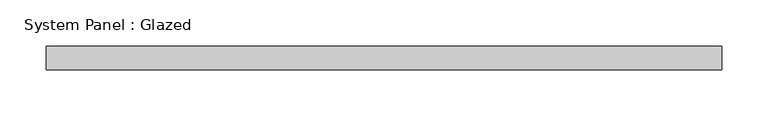
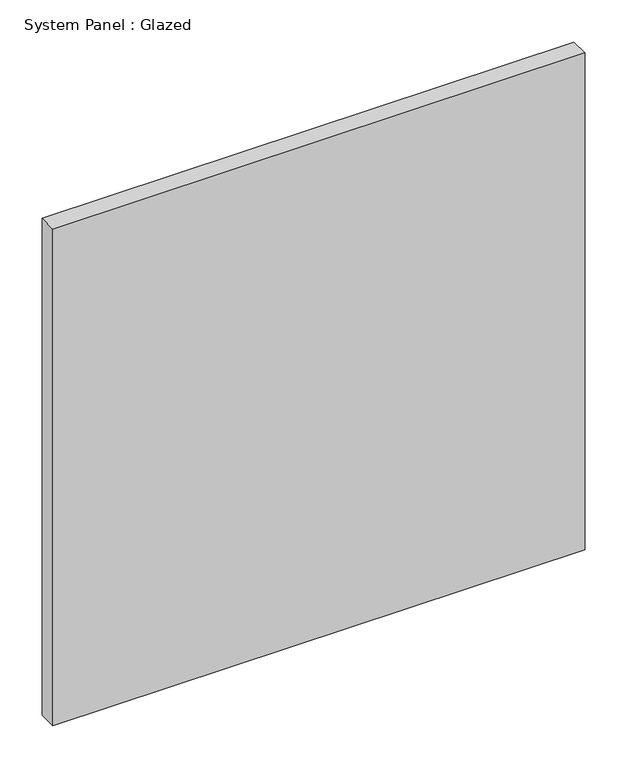
"""IFC4 building model written with IfcOpenShell, lengths in millimetres: plate geometry, System Panel : Glazed."""

from ifc_helpers import new_model, si_unit, origin, origin_with_axes, place, context, project, spatial, polyline, outline, extrude, source, transform, mapped, element, save


def system_panel_glazed_bfe00024(model_context):
    return source(origin(), model_context, "Body", "SweptSolid", [
        extrude(outline(polyline([(363.6722104, -44.45), (-363.6722104, -44.45), (-363.6722104, -19.05), (363.6722104, -19.05), (363.6722104, -44.45)])), origin_with_axes(), (0.0, 0.0, 1.0), 717.55),
    ])


if __name__ == "__main__":
    model = new_model("IFC4")
    model_context = context("Model", 3, world=origin())
    ifc_project = project(units=[si_unit("LENGTHUNIT", "METRE", prefix="MILLI")], contexts=[model_context])
    site = spatial("IfcSite", under=ifc_project)
    building = spatial("IfcBuilding", under=site)
    placement = place(None, origin())
    system_panel_glazed_shape = system_panel_glazed_bfe00024(model_context)
    element("IfcPlate", 1, ObjectType="System Panel : Glazed", at=placement, inside=building, context=model_context, shape_type="MappedRepresentation", body=[
        mapped(system_panel_glazed_shape, transform((0.0, 0.0, 0.0), x_axis=(1.0, 0.0, 0.0), y_axis=(0.0, 1.0, 0.0), z_axis=(0.0, 0.0, 1.0))),
    ])
    save(model, "model.ifc")
